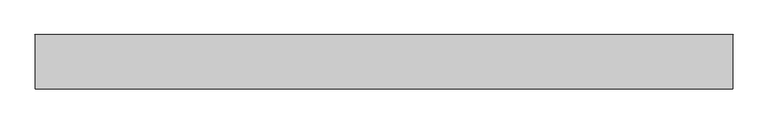
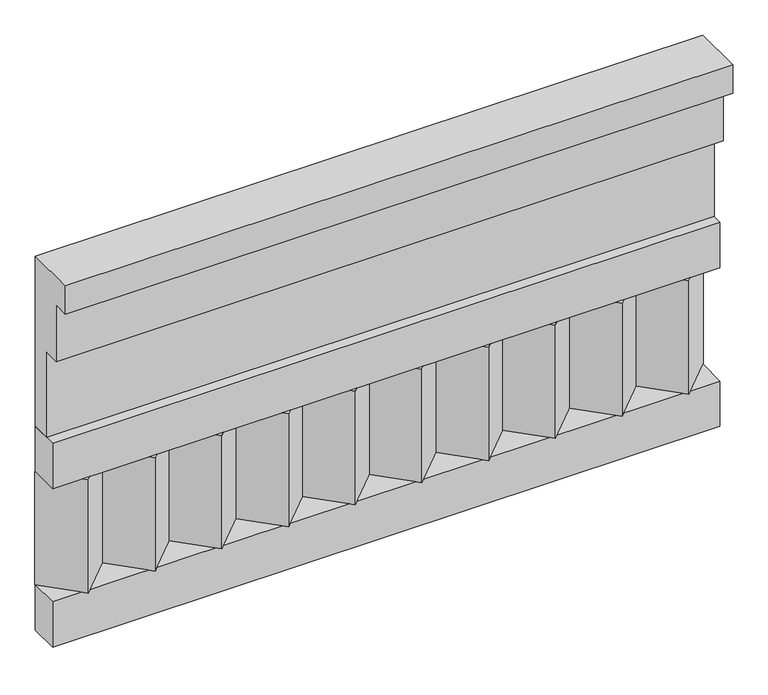
"""IFC4 building model written with IfcOpenShell, lengths in millimetres: railing geometry."""

from ifc_helpers import new_model, si_unit, frame, origin, place, context, project, spatial, polyline, outline, extrude, source, transform, mapped, element, save


def railing_6310d96e(model_context):
    return source(origin(), model_context, "Body", "SweptSolid", [
        extrude(outline(polyline([(-16816.8920513, 18500.0), (-16816.8920513, 18050.0), (-16866.8920513, 18050.0), (-16866.8920513, 18275.0), (-16906.8920513, 18275.0), (-16906.8920513, 18425.0), (-16946.8920513, 18425.0), (-16946.8920513, 18500.0), (-16816.8920513, 18500.0)])), frame((5490.0112841, 0.0, 0.0), z_axis=(1.0, 0.0, 0.0), x_axis=(0.0, 1.0, 0.0)), (0.0, 0.0, 1.0), 1670.0),
        extrude(outline(polyline([(5490.0112841, -16891.8920513), (5490.0112841, -16816.8920513), (7160.0112841, -16816.8920513), (7160.0112841, -16891.8920513), (5490.0112841, -16891.8920513)])), frame((0.0, 0.0, 17930.0), z_axis=(0.0, 0.0, 1.0), x_axis=(1.0, 0.0, 0.0)), (0.0, 0.0, 1.0), 120.0),
        extrude(outline(polyline([(5490.0112841, -16891.8920513), (5490.0112841, -16816.8920513), (7160.0112841, -16816.8920513), (7160.0112841, -16891.8920513), (5490.0112841, -16891.8920513)])), frame((0.0, 0.0, 17510.0), z_axis=(0.0, 0.0, 1.0), x_axis=(1.0, 0.0, 0.0)), (0.0, 0.0, 1.0), 120.0),
        extrude(outline(polyline([(7076.5112841, -16901.7448651), (6991.6584704, -16816.8920513), (7161.3640978, -16816.8920513), (7076.5112841, -16901.7448651)])), frame((0.0, 0.0, 17630.0), z_axis=(0.0, 0.0, 1.0), x_axis=(1.0, 0.0, 0.0)), (0.0, 0.0, 1.0), 300.0),
        extrude(outline(polyline([(6909.5112841, -16901.7448651), (6824.6584704, -16816.8920513), (6994.3640978, -16816.8920513), (6909.5112841, -16901.7448651)])), frame((0.0, 0.0, 17630.0), z_axis=(0.0, 0.0, 1.0), x_axis=(1.0, 0.0, 0.0)), (0.0, 0.0, 1.0), 300.0),
        extrude(outline(polyline([(6742.5112841, -16901.7448651), (6657.6584704, -16816.8920513), (6827.3640978, -16816.8920513), (6742.5112841, -16901.7448651)])), frame((0.0, 0.0, 17630.0), z_axis=(0.0, 0.0, 1.0), x_axis=(1.0, 0.0, 0.0)), (0.0, 0.0, 1.0), 300.0),
        extrude(outline(polyline([(6575.5112841, -16901.7448651), (6490.6584704, -16816.8920513), (6660.3640978, -16816.8920513), (6575.5112841, -16901.7448651)])), frame((0.0, 0.0, 17630.0), z_axis=(0.0, 0.0, 1.0), x_axis=(1.0, 0.0, 0.0)), (0.0, 0.0, 1.0), 300.0),
        extrude(outline(polyline([(6408.5112841, -16901.7448651), (6323.6584704, -16816.8920513), (6493.3640978, -16816.8920513), (6408.5112841, -16901.7448651)])), frame((0.0, 0.0, 17630.0), z_axis=(0.0, 0.0, 1.0), x_axis=(1.0, 0.0, 0.0)), (0.0, 0.0, 1.0), 300.0),
        extrude(outline(polyline([(6241.5112841, -16901.7448651), (6156.6584704, -16816.8920513), (6326.3640978, -16816.8920513), (6241.5112841, -16901.7448651)])), frame((0.0, 0.0, 17630.0), z_axis=(0.0, 0.0, 1.0), x_axis=(1.0, 0.0, 0.0)), (0.0, 0.0, 1.0), 300.0),
        extrude(outline(polyline([(6074.5112841, -16901.7448651), (5989.6584704, -16816.8920513), (6159.3640978, -16816.8920513), (6074.5112841, -16901.7448651)])), frame((0.0, 0.0, 17630.0), z_axis=(0.0, 0.0, 1.0), x_axis=(1.0, 0.0, 0.0)), (0.0, 0.0, 1.0), 300.0),
        extrude(outline(polyline([(5907.5112841, -16901.7448651), (5822.6584704, -16816.8920513), (5992.3640978, -16816.8920513), (5907.5112841, -16901.7448651)])), frame((0.0, 0.0, 17630.0), z_axis=(0.0, 0.0, 1.0), x_axis=(1.0, 0.0, 0.0)), (0.0, 0.0, 1.0), 300.0),
        extrude(outline(polyline([(5740.5112841, -16901.7448651), (5655.6584704, -16816.8920513), (5825.3640978, -16816.8920513), (5740.5112841, -16901.7448651)])), frame((0.0, 0.0, 17630.0), z_axis=(0.0, 0.0, 1.0), x_axis=(1.0, 0.0, 0.0)), (0.0, 0.0, 1.0), 300.0),
        extrude(outline(polyline([(5573.5112841, -16901.7448651), (5488.6584704, -16816.8920513), (5658.3640978, -16816.8920513), (5573.5112841, -16901.7448651)])), frame((0.0, 0.0, 17630.0), z_axis=(0.0, 0.0, 1.0), x_axis=(1.0, 0.0, 0.0)), (0.0, 0.0, 1.0), 300.0),
    ])


if __name__ == "__main__":
    model = new_model("IFC4")
    model_context = context("Model", 3, world=origin())
    ifc_project = project(units=[si_unit("LENGTHUNIT", "METRE", prefix="MILLI")], contexts=[model_context])
    site = spatial("IfcSite", under=ifc_project)
    building = spatial("IfcBuilding", under=site)
    placement = place(None, origin())
    railing_shape = railing_6310d96e(model_context)
    element("IfcRailing", 1, at=placement, inside=building, context=model_context, shape_type="MappedRepresentation", body=[
        mapped(railing_shape, transform((0.0, 0.0, 0.0), x_axis=(1.0, 0.0, 0.0), y_axis=(0.0, 1.0, 0.0), z_axis=(0.0, 0.0, 1.0))),
    ])
    save(model, "model.ifc")
